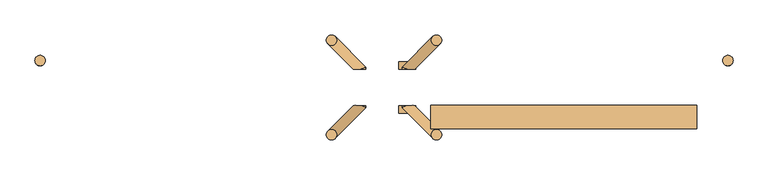
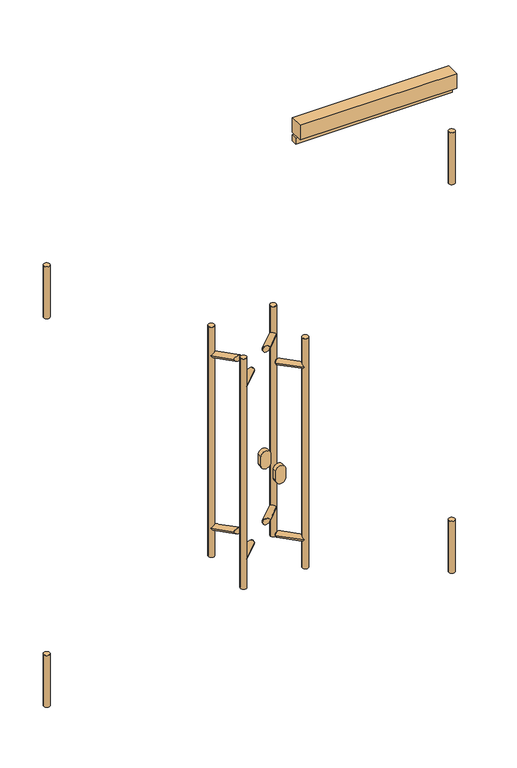
"""IFC4 building model written with IfcOpenShell, lengths in millimetres: door geometry."""

from ifc_helpers import new_model, si_unit, point, frame, frame_2d, origin, place, context, project, spatial, polyline, circle_curve, ellipse_curve, trimmed, segment, composite_curve, outline, extrude, source, transform, mapped, element, save
from ifc_brep_helpers import plane_surface, cylinder_surface, advanced_brep


def door_2ec6fdb7(model_context):
    return source(origin(), model_context, "Body", "SolidModel", [
        extrude(outline(polyline([(-609.0, -70.0), (-94.0, -70.0), (-94.0, -90.0), (-609.0, -90.0), (-609.0, -70.0)])), frame((0.0, 0.0, 2051.0), z_axis=(0.0, 0.0, 1.0), x_axis=(1.0, 0.0, 0.0)), (0.0, 0.0, 1.0), 20.0),
        extrude(outline(polyline([(-609.0, -70.0), (-94.0, -70.0), (-94.0, -115.0), (-609.0, -115.0), (-609.0, -70.0)])), frame((0.0, 0.0, 2081.0), z_axis=(0.0, 0.0, 1.0), x_axis=(1.0, 0.0, 0.0)), (0.0, 0.0, 1.0), 50.0),
        advanced_brep(
        [(-608.4314575, 56.5685425, 1400.0), (-588.4314575, 56.5685425, 1400.0), (-608.4314575, 56.5685425, 600.0), (-588.4314575, 56.5685425, 600.0), (-655.0, 0.0, 710.0), (-665.0, 0.0, 700.0), (-655.0, 0.0, 690.0), (-640.8578644, 0.0, 700.0), (-655.0, 0.0, 1310.0), (-665.0, 0.0, 1300.0), (-655.0, 0.0, 1290.0), (-640.8578644, 0.0, 1300.0), (-665.0, 4.1421356, 700.0), (-665.0, 4.1421356, 1300.0), (-605.5025253, 63.6396103, 700.0), (-591.3603897, 49.4974747, 700.0), (-608.4314575, 56.5685425, 707.0710678), (-608.4314575, 56.5685425, 692.9289322), (-605.5025253, 63.6396103, 1300.0), (-591.3603897, 49.4974747, 1300.0), (-608.4314575, 56.5685425, 1307.0710678), (-608.4314575, 56.5685425, 1292.9289322)],
        [
            (0, 1, circle_curve(frame((-598.4314575, 56.5685425, 1400.0), z_axis=(0.0, 0.0, 1.0), x_axis=(1.0, 0.0, 0.0)), 10.0)),
            (1, 0, circle_curve(frame((-598.4314575, 56.5685425, 1400.0), z_axis=(0.0, 0.0, 1.0), x_axis=(1.0, 0.0, 0.0)), 10.0)),
            (2, 3, circle_curve(frame((-598.4314575, 56.5685425, 600.0), z_axis=(0.0, 0.0, -1.0), x_axis=(1.0, 0.0, 0.0)), 10.0)),
            (3, 2, circle_curve(frame((-598.4314575, 56.5685425, 600.0), z_axis=(0.0, 0.0, -1.0), x_axis=(1.0, 0.0, 0.0)), 10.0)),
            (4, 5, circle_curve(frame((-655.0, 0.0, 700.0), z_axis=(0.0, -1.0, 0.0), x_axis=(-1.0, 0.0, 0.0)), 10.0)),
            (5, 6, circle_curve(frame((-655.0, 0.0, 700.0), z_axis=(0.0, -1.0, 0.0), x_axis=(-1.0, 0.0, 0.0)), 10.0)),
            (6, 7, ellipse_curve(frame((-655.0, 0.0, 700.0), z_axis=(0.0, -1.0, 0.0), x_axis=(-1.0, 0.0, 0.0)), 14.1421356, 10.0)),
            (7, 4, ellipse_curve(frame((-655.0, 0.0, 700.0), z_axis=(0.0, -1.0, 0.0), x_axis=(-1.0, 0.0, 0.0)), 14.1421356, 10.0)),
            (8, 9, circle_curve(frame((-655.0, 0.0, 1300.0), z_axis=(0.0, -1.0, 0.0), x_axis=(-1.0, 0.0, 0.0)), 10.0)),
            (9, 10, circle_curve(frame((-655.0, 0.0, 1300.0), z_axis=(0.0, -1.0, 0.0), x_axis=(-1.0, 0.0, 0.0)), 10.0)),
            (10, 11, ellipse_curve(frame((-655.0, 0.0, 1300.0), z_axis=(0.0, -1.0, 0.0), x_axis=(-1.0, 0.0, 0.0)), 14.1421356, 10.0)),
            (11, 8, ellipse_curve(frame((-655.0, 0.0, 1300.0), z_axis=(0.0, -1.0, 0.0), x_axis=(-1.0, 0.0, 0.0)), 14.1421356, 10.0)),
            (4, 12, ellipse_curve(frame((-655.0, 0.0, 700.0), z_axis=(-0.38268343236513025, -0.9238795325112701, 0.0), x_axis=(0.9238795325112702, -0.3826834323651299, 0.0)), 10.823922, 10.0)),
            (12, 5),
            (12, 6, ellipse_curve(frame((-655.0, 0.0, 700.0), z_axis=(-0.38268343236513025, -0.9238795325112701, 0.0), x_axis=(0.9238795325112702, -0.3826834323651299, 0.0)), 10.823922, 10.0)),
            (8, 13, ellipse_curve(frame((-655.0, 0.0, 1300.0), z_axis=(-0.38268343236513025, -0.9238795325112701, 0.0), x_axis=(0.9238795325112702, -0.3826834323651299, 0.0)), 10.823922, 10.0)),
            (13, 9),
            (13, 10, ellipse_curve(frame((-655.0, 0.0, 1300.0), z_axis=(-0.38268343236513025, -0.9238795325112701, 0.0), x_axis=(0.9238795325112702, -0.3826834323651299, 0.0)), 10.823922, 10.0)),
            (14, 12),
            (7, 15),
            (15, 16, ellipse_curve(frame((-598.4314575, 56.5685425, 700.0), z_axis=(-0.5000000000000415, -0.49999999999995626, -0.707106781186549), x_axis=(-0.500000000000046, -0.49999999999995626, 0.7071067811865459)), 14.1421356, 10.0)),
            (16, 14, ellipse_curve(frame((-598.4314575, 56.5685425, 700.0), z_axis=(-0.5000000000000415, -0.49999999999995626, -0.707106781186549), x_axis=(-0.500000000000046, -0.49999999999995626, 0.7071067811865459)), 14.1421356, 10.0)),
            (14, 17, ellipse_curve(frame((-598.4314575, 56.5685425, 700.0), z_axis=(-0.500000000000046, -0.49999999999995626, 0.7071067811865459), x_axis=(-0.5000000000000415, -0.49999999999995626, -0.707106781186549)), 14.1421356, 10.0)),
            (17, 15, ellipse_curve(frame((-598.4314575, 56.5685425, 700.0), z_axis=(-0.500000000000046, -0.49999999999995626, 0.7071067811865459), x_axis=(-0.5000000000000415, -0.49999999999995626, -0.707106781186549)), 14.1421356, 10.0)),
            (18, 13),
            (11, 19),
            (19, 20, ellipse_curve(frame((-598.4314575, 56.5685425, 1300.0), z_axis=(-0.5000000000000415, -0.49999999999995626, -0.707106781186549), x_axis=(-0.500000000000046, -0.49999999999995626, 0.7071067811865459)), 14.1421356, 10.0)),
            (20, 18, ellipse_curve(frame((-598.4314575, 56.5685425, 1300.0), z_axis=(-0.5000000000000415, -0.49999999999995626, -0.707106781186549), x_axis=(-0.500000000000046, -0.49999999999995626, 0.7071067811865459)), 14.1421356, 10.0)),
            (18, 21, ellipse_curve(frame((-598.4314575, 56.5685425, 1300.0), z_axis=(-0.500000000000046, -0.49999999999995626, 0.7071067811865459), x_axis=(-0.5000000000000415, -0.49999999999995626, -0.707106781186549)), 14.1421356, 10.0)),
            (21, 19, ellipse_curve(frame((-598.4314575, 56.5685425, 1300.0), z_axis=(-0.500000000000046, -0.49999999999995626, 0.7071067811865459), x_axis=(-0.5000000000000415, -0.49999999999995626, -0.707106781186549)), 14.1421356, 10.0)),
            (0, 20),
            (21, 16),
            (17, 2),
            (3, 1),
        ],
        [
            plane_surface(frame((-588.4314575, 56.5685425, 1400.0), z_axis=(0.0, 0.0, 1.0), x_axis=(0.0, 1.0, 0.0))),
            plane_surface(frame((-588.4314575, 56.5685425, 600.0), z_axis=(0.0, 0.0, -1.0), x_axis=(0.0, -1.0, 0.0))),
            plane_surface(frame((-795.0, 0.0, 600.0), z_axis=(0.0, -1.0, 0.0), x_axis=(0.0, 0.0, 1.0))),
            cylinder_surface(frame((-655.0, -70.0, 700.0), z_axis=(0.0, -1.0, 0.0), x_axis=(-1.0, 0.0, 0.0)), 10.0),
            cylinder_surface(frame((-655.0, -70.0, 1300.0), z_axis=(0.0, -1.0, 0.0), x_axis=(-1.0, 0.0, 0.0)), 10.0),
            cylinder_surface(frame((-655.0, 0.0, 700.0), z_axis=(-0.7071067811866094, -0.7071067811864857, 0.0), x_axis=(-0.7071067811864857, 0.7071067811866094, 0.0)), 10.0),
            cylinder_surface(frame((-655.0, 0.0, 1300.0), z_axis=(-0.7071067811866094, -0.7071067811864857, 0.0), x_axis=(-0.7071067811864857, 0.7071067811866094, 0.0)), 10.0),
            cylinder_surface(frame((-598.4314575, 56.5685425, 600.0), z_axis=(0.0, 0.0, 1.0), x_axis=(1.0, 0.0, 0.0)), 10.0),
        ],
        [
            (0, [[1, 2]]),
            (1, [[3, 4]]),
            (2, [[5, 6, 7, 8]]),
            (2, [[9, 10, 11, 12]]),
            (3, [[13, 14, -5]]),
            (3, [[-14, 15, -6]]),
            (4, [[16, 17, -9]]),
            (4, [[-17, 18, -10]]),
            (5, [[19, -13, -8, 20, 21, 22]]),
            (5, [[-19, 23, 24, -20, -7, -15]]),
            (6, [[25, -16, -12, 26, 27, 28]]),
            (6, [[-25, 29, 30, -26, -11, -18]]),
            (7, [[-1, 31, -27, -30, 32, -21, -24, 33, -4, 34]]),
            (7, [[-2, -34, -3, -33, -23, -22, -32, -29, -28, -31]]),
        ],
    ),
        advanced_brep(
        [(-608.4314575, -126.5685425, 1400.0), (-588.4314575, -126.5685425, 1400.0), (-608.4314575, -126.5685425, 600.0), (-588.4314575, -126.5685425, 600.0), (-655.0, -70.0, 710.0), (-640.8578644, -70.0, 700.0), (-655.0, -70.0, 690.0), (-665.0, -70.0, 700.0), (-655.0, -70.0, 1310.0), (-640.8578644, -70.0, 1300.0), (-655.0, -70.0, 1290.0), (-665.0, -70.0, 1300.0), (-665.0, -74.1421356, 700.0), (-605.5025253, -133.6396103, 700.0), (-608.4314575, -126.5685425, 707.0710678), (-591.3603897, -119.4974747, 700.0), (-608.4314575, -126.5685425, 692.9289322), (-665.0, -74.1421356, 1300.0), (-605.5025253, -133.6396103, 1300.0), (-608.4314575, -126.5685425, 1307.0710678), (-591.3603897, -119.4974747, 1300.0), (-608.4314575, -126.5685425, 1292.9289322)],
        [
            (0, 1, circle_curve(frame((-598.4314575, -126.5685425, 1400.0), z_axis=(0.0, 0.0, 1.0), x_axis=(1.0, 0.0, 0.0)), 10.0)),
            (1, 0, circle_curve(frame((-598.4314575, -126.5685425, 1400.0), z_axis=(0.0, 0.0, 1.0), x_axis=(1.0, 0.0, 0.0)), 10.0)),
            (2, 3, circle_curve(frame((-598.4314575, -126.5685425, 600.0), z_axis=(0.0, 0.0, -1.0), x_axis=(1.0, 0.0, 0.0)), 10.0)),
            (3, 2, circle_curve(frame((-598.4314575, -126.5685425, 600.0), z_axis=(0.0, 0.0, -1.0), x_axis=(1.0, 0.0, 0.0)), 10.0)),
            (4, 5, ellipse_curve(frame((-655.0, -70.0, 700.0), z_axis=(0.0, 1.0, 0.0), x_axis=(1.0, 0.0, 0.0)), 14.1421356, 10.0)),
            (5, 6, ellipse_curve(frame((-655.0, -70.0, 700.0), z_axis=(0.0, 1.0, 0.0), x_axis=(1.0, 0.0, 0.0)), 14.1421356, 10.0)),
            (6, 7, circle_curve(frame((-655.0, -70.0, 700.0), z_axis=(0.0, 1.0, 0.0), x_axis=(-1.0, 0.0, 0.0)), 10.0)),
            (7, 4, circle_curve(frame((-655.0, -70.0, 700.0), z_axis=(0.0, 1.0, 0.0), x_axis=(-1.0, 0.0, 0.0)), 10.0)),
            (8, 9, ellipse_curve(frame((-655.0, -70.0, 1300.0), z_axis=(0.0, 1.0, 0.0), x_axis=(1.0, 0.0, 0.0)), 14.1421356, 10.0)),
            (9, 10, ellipse_curve(frame((-655.0, -70.0, 1300.0), z_axis=(0.0, 1.0, 0.0), x_axis=(1.0, 0.0, 0.0)), 14.1421356, 10.0)),
            (10, 11, circle_curve(frame((-655.0, -70.0, 1300.0), z_axis=(0.0, 1.0, 0.0), x_axis=(-1.0, 0.0, 0.0)), 10.0)),
            (11, 8, circle_curve(frame((-655.0, -70.0, 1300.0), z_axis=(0.0, 1.0, 0.0), x_axis=(-1.0, 0.0, 0.0)), 10.0)),
            (12, 13),
            (13, 14, ellipse_curve(frame((-598.4314575, -126.5685425, 700.0), z_axis=(-0.5000000000000152, 0.4999999999999831, -0.7071067811865487), x_axis=(0.5000000000000191, -0.4999999999999826, -0.7071067811865464)), 14.1421356, 10.0)),
            (14, 15, ellipse_curve(frame((-598.4314575, -126.5685425, 700.0), z_axis=(-0.5000000000000152, 0.4999999999999831, -0.7071067811865487), x_axis=(0.5000000000000191, -0.4999999999999826, -0.7071067811865464)), 14.1421356, 10.0)),
            (15, 5),
            (4, 12, ellipse_curve(frame((-655.0, -70.0, 700.0), z_axis=(0.38268343236510555, -0.9238795325112801, 0.0), x_axis=(0.9238795325112804, 0.38268343236510505, 0.0)), 10.823922, 10.0)),
            (12, 6, ellipse_curve(frame((-655.0, -70.0, 700.0), z_axis=(0.38268343236510555, -0.9238795325112801, 0.0), x_axis=(0.9238795325112804, 0.38268343236510505, 0.0)), 10.823922, 10.0)),
            (15, 16, ellipse_curve(frame((-598.4314575, -126.5685425, 700.0), z_axis=(-0.5000000000000191, 0.49999999999998257, 0.7071067811865464), x_axis=(0.5000000000000152, -0.4999999999999831, 0.7071067811865487)), 14.1421356, 10.0)),
            (16, 13, ellipse_curve(frame((-598.4314575, -126.5685425, 700.0), z_axis=(-0.5000000000000191, 0.49999999999998257, 0.7071067811865464), x_axis=(0.5000000000000152, -0.4999999999999831, 0.7071067811865487)), 14.1421356, 10.0)),
            (17, 18),
            (18, 19, ellipse_curve(frame((-598.4314575, -126.5685425, 1300.0), z_axis=(-0.5000000000000152, 0.4999999999999831, -0.7071067811865487), x_axis=(0.5000000000000191, -0.4999999999999826, -0.7071067811865464)), 14.1421356, 10.0)),
            (19, 20, ellipse_curve(frame((-598.4314575, -126.5685425, 1300.0), z_axis=(-0.5000000000000152, 0.4999999999999831, -0.7071067811865487), x_axis=(0.5000000000000191, -0.4999999999999826, -0.7071067811865464)), 14.1421356, 10.0)),
            (20, 9),
            (8, 17, ellipse_curve(frame((-655.0, -70.0, 1300.0), z_axis=(0.38268343236510555, -0.9238795325112801, 0.0), x_axis=(0.9238795325112804, 0.38268343236510505, 0.0)), 10.823922, 10.0)),
            (17, 10, ellipse_curve(frame((-655.0, -70.0, 1300.0), z_axis=(0.38268343236510555, -0.9238795325112801, 0.0), x_axis=(0.9238795325112804, 0.38268343236510505, 0.0)), 10.823922, 10.0)),
            (20, 21, ellipse_curve(frame((-598.4314575, -126.5685425, 1300.0), z_axis=(-0.5000000000000191, 0.49999999999998257, 0.7071067811865464), x_axis=(0.5000000000000152, -0.4999999999999831, 0.7071067811865487)), 14.1421356, 10.0)),
            (21, 18, ellipse_curve(frame((-598.4314575, -126.5685425, 1300.0), z_axis=(-0.5000000000000191, 0.49999999999998257, 0.7071067811865464), x_axis=(0.5000000000000152, -0.4999999999999831, 0.7071067811865487)), 14.1421356, 10.0)),
            (7, 12),
            (11, 17),
            (0, 19),
            (21, 14),
            (16, 2),
            (3, 1),
        ],
        [
            plane_surface(frame((-588.4314575, 56.5685425, 1400.0), z_axis=(0.0, 0.0, 1.0), x_axis=(0.0, 1.0, 0.0))),
            plane_surface(frame((-588.4314575, 56.5685425, 600.0), z_axis=(0.0, 0.0, -1.0), x_axis=(0.0, -1.0, 0.0))),
            plane_surface(frame((-605.0, -70.0, 600.0), z_axis=(0.0, 1.0, 0.0), x_axis=(0.0, 0.0, 1.0))),
            cylinder_surface(frame((-598.4314575, -126.5685425, 700.0), z_axis=(0.7071067811865718, -0.7071067811865233, 0.0), x_axis=(-0.7071067811865233, -0.7071067811865718, 0.0)), 10.0),
            cylinder_surface(frame((-598.4314575, -126.5685425, 1300.0), z_axis=(0.7071067811865718, -0.7071067811865233, 0.0), x_axis=(-0.7071067811865233, -0.7071067811865718, 0.0)), 10.0),
            cylinder_surface(frame((-655.0, -70.0, 700.0), z_axis=(0.0, -1.0, 0.0), x_axis=(-1.0, 0.0, 0.0)), 10.0),
            cylinder_surface(frame((-655.0, -70.0, 1300.0), z_axis=(0.0, -1.0, 0.0), x_axis=(-1.0, 0.0, 0.0)), 10.0),
            cylinder_surface(frame((-598.4314575, -126.5685425, 1000.0), z_axis=(0.0, 0.0, 1.0), x_axis=(1.0, 0.0, 0.0)), 10.0),
        ],
        [
            (0, [[1, 2]]),
            (1, [[3, 4]]),
            (2, [[5, 6, 7, 8]]),
            (2, [[9, 10, 11, 12]]),
            (3, [[13, 14, 15, 16, -5, 17]]),
            (3, [[-13, 18, -6, -16, 19, 20]]),
            (4, [[21, 22, 23, 24, -9, 25]]),
            (4, [[-21, 26, -10, -24, 27, 28]]),
            (5, [[-17, -8, 29]]),
            (5, [[-18, -29, -7]]),
            (6, [[-25, -12, 30]]),
            (6, [[-26, -30, -11]]),
            (7, [[-1, 31, -22, -28, 32, -14, -20, 33, -4, 34]]),
            (7, [[-2, -34, -3, -33, -19, -15, -32, -27, -23, -31]]),
        ],
    ),
        advanced_brep(
        [(-811.5685425, 56.5685425, 1400.0), (-791.5685425, 56.5685425, 1400.0), (-811.5685425, 56.5685425, 600.0), (-791.5685425, 56.5685425, 600.0), (-745.0, 0.0, 690.0), (-735.0, 0.0, 700.0), (-745.0, 0.0, 710.0), (-759.1421356, 0.0, 700.0), (-745.0, 0.0, 1290.0), (-735.0, 0.0, 1300.0), (-745.0, 0.0, 1310.0), (-759.1421356, 0.0, 1300.0), (-791.5685425, 56.5685425, 692.9289322), (-808.6396103, 49.4974747, 700.0), (-791.5685425, 56.5685425, 707.0710678), (-791.5685425, 56.5685425, 1292.9289322), (-808.6396103, 49.4974747, 1300.0), (-791.5685425, 56.5685425, 1307.0710678), (-794.4974747, 63.6396103, 1300.0), (-794.4974747, 63.6396103, 700.0), (-735.0, 4.1421356, 700.0), (-735.0, 4.1421356, 1300.0)],
        [
            (0, 1, circle_curve(frame((-801.5685425, 56.5685425, 1400.0), z_axis=(0.0, 0.0, 1.0), x_axis=(1.0, 0.0, 0.0)), 10.0)),
            (1, 0, circle_curve(frame((-801.5685425, 56.5685425, 1400.0), z_axis=(0.0, 0.0, 1.0), x_axis=(1.0, 0.0, 0.0)), 10.0)),
            (2, 3, circle_curve(frame((-801.5685425, 56.5685425, 600.0), z_axis=(0.0, 0.0, -1.0), x_axis=(1.0, 0.0, 0.0)), 10.0)),
            (3, 2, circle_curve(frame((-801.5685425, 56.5685425, 600.0), z_axis=(0.0, 0.0, -1.0), x_axis=(1.0, 0.0, 0.0)), 10.0)),
            (4, 5, circle_curve(frame((-745.0, 0.0, 700.0), z_axis=(0.0, -1.0, 0.0), x_axis=(-1.0, 0.0, 0.0)), 10.0)),
            (5, 6, circle_curve(frame((-745.0, 0.0, 700.0), z_axis=(0.0, -1.0, 0.0), x_axis=(-1.0, 0.0, 0.0)), 10.0)),
            (6, 7, ellipse_curve(frame((-745.0, 0.0, 700.0), z_axis=(0.0, -1.0, 0.0), x_axis=(1.0, 0.0, 0.0)), 14.1421356, 10.0)),
            (7, 4, ellipse_curve(frame((-745.0, 0.0, 700.0), z_axis=(0.0, -1.0, 0.0), x_axis=(1.0, 0.0, 0.0)), 14.1421356, 10.0)),
            (8, 9, circle_curve(frame((-745.0, 0.0, 1300.0), z_axis=(0.0, -1.0, 0.0), x_axis=(-1.0, 0.0, 0.0)), 10.0)),
            (9, 10, circle_curve(frame((-745.0, 0.0, 1300.0), z_axis=(0.0, -1.0, 0.0), x_axis=(-1.0, 0.0, 0.0)), 10.0)),
            (10, 11, ellipse_curve(frame((-745.0, 0.0, 1300.0), z_axis=(0.0, -1.0, 0.0), x_axis=(1.0, 0.0, 0.0)), 14.1421356, 10.0)),
            (11, 8, ellipse_curve(frame((-745.0, 0.0, 1300.0), z_axis=(0.0, -1.0, 0.0), x_axis=(1.0, 0.0, 0.0)), 14.1421356, 10.0)),
            (0, 2),
            (3, 12),
            (12, 13, ellipse_curve(frame((-801.5685425, 56.5685425, 700.0), z_axis=(-0.5000000000000746, 0.4999999999999231, -0.707106781186549), x_axis=(-0.5000000000000789, 0.49999999999992306, 0.707106781186546)), 14.1421356, 10.0)),
            (13, 14, ellipse_curve(frame((-801.5685425, 56.5685425, 700.0), z_axis=(-0.500000000000079, 0.4999999999999231, 0.7071067811865459), x_axis=(0.5000000000000746, -0.4999999999999231, 0.7071067811865491)), 14.1421356, 10.0)),
            (14, 15),
            (15, 16, ellipse_curve(frame((-801.5685425, 56.5685425, 1300.0), z_axis=(-0.5000000000000746, 0.4999999999999231, -0.707106781186549), x_axis=(-0.5000000000000789, 0.49999999999992306, 0.707106781186546)), 14.1421356, 10.0)),
            (16, 17, ellipse_curve(frame((-801.5685425, 56.5685425, 1300.0), z_axis=(-0.500000000000079, 0.4999999999999231, 0.7071067811865459), x_axis=(0.5000000000000746, -0.4999999999999231, 0.7071067811865491)), 14.1421356, 10.0)),
            (17, 1),
            (17, 18, ellipse_curve(frame((-801.5685425, 56.5685425, 1300.0), z_axis=(-0.500000000000079, 0.4999999999999231, 0.7071067811865459), x_axis=(0.5000000000000746, -0.4999999999999231, 0.7071067811865491)), 14.1421356, 10.0)),
            (18, 15, ellipse_curve(frame((-801.5685425, 56.5685425, 1300.0), z_axis=(-0.5000000000000746, 0.4999999999999231, -0.707106781186549), x_axis=(-0.5000000000000789, 0.49999999999992306, 0.707106781186546)), 14.1421356, 10.0)),
            (14, 19, ellipse_curve(frame((-801.5685425, 56.5685425, 700.0), z_axis=(-0.500000000000079, 0.4999999999999231, 0.7071067811865459), x_axis=(0.5000000000000746, -0.4999999999999231, 0.7071067811865491)), 14.1421356, 10.0)),
            (19, 12, ellipse_curve(frame((-801.5685425, 56.5685425, 700.0), z_axis=(-0.5000000000000746, 0.4999999999999231, -0.707106781186549), x_axis=(-0.5000000000000789, 0.49999999999992306, 0.707106781186546)), 14.1421356, 10.0)),
            (4, 20, ellipse_curve(frame((-745.0, 0.0, 700.0), z_axis=(0.38268343236516067, -0.9238795325112574, 0.0), x_axis=(-0.9238795325112574, -0.38268343236516056, 0.0)), 10.823922, 10.0)),
            (20, 5),
            (20, 6, ellipse_curve(frame((-745.0, 0.0, 700.0), z_axis=(0.38268343236516067, -0.9238795325112574, 0.0), x_axis=(-0.9238795325112574, -0.38268343236516056, 0.0)), 10.823922, 10.0)),
            (8, 21, ellipse_curve(frame((-745.0, 0.0, 1300.0), z_axis=(0.38268343236516067, -0.9238795325112574, 0.0), x_axis=(-0.9238795325112574, -0.38268343236516056, 0.0)), 10.823922, 10.0)),
            (21, 9),
            (21, 10, ellipse_curve(frame((-745.0, 0.0, 1300.0), z_axis=(0.38268343236516067, -0.9238795325112574, 0.0), x_axis=(-0.9238795325112574, -0.38268343236516056, 0.0)), 10.823922, 10.0)),
            (19, 20),
            (7, 13),
            (18, 21),
            (11, 16),
        ],
        [
            plane_surface(frame((-588.4314575, 56.5685425, 1400.0), z_axis=(0.0, 0.0, 1.0), x_axis=(0.0, 1.0, 0.0))),
            plane_surface(frame((-588.4314575, 56.5685425, 600.0), z_axis=(0.0, 0.0, -1.0), x_axis=(0.0, -1.0, 0.0))),
            plane_surface(frame((-795.0, 0.0, 600.0), z_axis=(0.0, -1.0, 0.0), x_axis=(0.0, 0.0, 1.0))),
            cylinder_surface(frame((-801.5685425, 56.5685425, 1000.0), z_axis=(0.0, 0.0, 1.0), x_axis=(1.0, 0.0, 0.0)), 10.0),
            cylinder_surface(frame((-745.0, -70.0, 700.0), z_axis=(0.0, -1.0, 0.0), x_axis=(-1.0, 0.0, 0.0)), 10.0),
            cylinder_surface(frame((-745.0, -70.0, 1300.0), z_axis=(0.0, -1.0, 0.0), x_axis=(-1.0, 0.0, 0.0)), 10.0),
            cylinder_surface(frame((-745.0, 0.0, 700.0), z_axis=(0.7071067811866563, -0.7071067811864389, 0.0), x_axis=(-0.7071067811864389, -0.7071067811866563, 0.0)), 10.0),
            cylinder_surface(frame((-745.0, 0.0, 1300.0), z_axis=(0.7071067811866563, -0.7071067811864389, 0.0), x_axis=(-0.7071067811864389, -0.7071067811866563, 0.0)), 10.0),
        ],
        [
            (0, [[1, 2]]),
            (1, [[3, 4]]),
            (2, [[5, 6, 7, 8]]),
            (2, [[9, 10, 11, 12]]),
            (3, [[-1, 13, -4, 14, 15, 16, 17, 18, 19, 20]]),
            (3, [[-2, -20, 21, 22, -17, 23, 24, -14, -3, -13]]),
            (4, [[25, 26, -5]]),
            (4, [[-26, 27, -6]]),
            (5, [[28, 29, -9]]),
            (5, [[-29, 30, -10]]),
            (6, [[31, -25, -8, 32, -15, -24]]),
            (6, [[-31, -23, -16, -32, -7, -27]]),
            (7, [[33, -28, -12, 34, -18, -22]]),
            (7, [[-33, -21, -19, -34, -11, -30]]),
        ],
    ),
        advanced_brep(
        [(-811.5685425, -126.5685425, 1400.0), (-791.5685425, -126.5685425, 1400.0), (-811.5685425, -126.5685425, 600.0), (-791.5685425, -126.5685425, 600.0), (-745.0, -70.0, 690.0), (-759.1421356, -70.0, 700.0), (-745.0, -70.0, 710.0), (-735.0, -70.0, 700.0), (-745.0, -70.0, 1290.0), (-759.1421356, -70.0, 1300.0), (-745.0, -70.0, 1310.0), (-735.0, -70.0, 1300.0), (-791.5685425, -126.5685425, 692.9289322), (-794.4974747, -133.6396103, 700.0), (-791.5685425, -126.5685425, 707.0710678), (-791.5685425, -126.5685425, 1292.9289322), (-794.4974747, -133.6396103, 1300.0), (-791.5685425, -126.5685425, 1307.0710678), (-808.6396103, -119.4974747, 1300.0), (-808.6396103, -119.4974747, 700.0), (-735.0, -74.1421356, 700.0), (-735.0, -74.1421356, 1300.0)],
        [
            (0, 1, circle_curve(frame((-801.5685425, -126.5685425, 1400.0), z_axis=(0.0, 0.0, 1.0), x_axis=(1.0, 0.0, 0.0)), 10.0)),
            (1, 0, circle_curve(frame((-801.5685425, -126.5685425, 1400.0), z_axis=(0.0, 0.0, 1.0), x_axis=(1.0, 0.0, 0.0)), 10.0)),
            (2, 3, circle_curve(frame((-801.5685425, -126.5685425, 600.0), z_axis=(0.0, 0.0, -1.0), x_axis=(1.0, 0.0, 0.0)), 10.0)),
            (3, 2, circle_curve(frame((-801.5685425, -126.5685425, 600.0), z_axis=(0.0, 0.0, -1.0), x_axis=(1.0, 0.0, 0.0)), 10.0)),
            (4, 5, ellipse_curve(frame((-745.0, -70.0, 700.0), z_axis=(0.0, 1.0, 0.0), x_axis=(-1.0, 0.0, 0.0)), 14.1421356, 10.0)),
            (5, 6, ellipse_curve(frame((-745.0, -70.0, 700.0), z_axis=(0.0, 1.0, 0.0), x_axis=(-1.0, 0.0, 0.0)), 14.1421356, 10.0)),
            (6, 7, circle_curve(frame((-745.0, -70.0, 700.0), z_axis=(0.0, 1.0, 0.0), x_axis=(-1.0, 0.0, 0.0)), 10.0)),
            (7, 4, circle_curve(frame((-745.0, -70.0, 700.0), z_axis=(0.0, 1.0, 0.0), x_axis=(-1.0, 0.0, 0.0)), 10.0)),
            (8, 9, ellipse_curve(frame((-745.0, -70.0, 1300.0), z_axis=(0.0, 1.0, 0.0), x_axis=(-1.0, 0.0, 0.0)), 14.1421356, 10.0)),
            (9, 10, ellipse_curve(frame((-745.0, -70.0, 1300.0), z_axis=(0.0, 1.0, 0.0), x_axis=(-1.0, 0.0, 0.0)), 14.1421356, 10.0)),
            (10, 11, circle_curve(frame((-745.0, -70.0, 1300.0), z_axis=(0.0, 1.0, 0.0), x_axis=(-1.0, 0.0, 0.0)), 10.0)),
            (11, 8, circle_curve(frame((-745.0, -70.0, 1300.0), z_axis=(0.0, 1.0, 0.0), x_axis=(-1.0, 0.0, 0.0)), 10.0)),
            (0, 2),
            (3, 12),
            (12, 13, ellipse_curve(frame((-801.5685425, -126.5685425, 700.0), z_axis=(-0.4999999999999932, -0.5000000000000052, -0.7071067811865487), x_axis=(-0.49999999999999706, -0.5000000000000046, 0.7071067811865462)), 14.1421356, 10.0)),
            (13, 14, ellipse_curve(frame((-801.5685425, -126.5685425, 700.0), z_axis=(-0.49999999999999706, -0.5000000000000047, 0.7071067811865464), x_axis=(0.49999999999999317, 0.5000000000000052, 0.7071067811865487)), 14.1421356, 10.0)),
            (14, 15),
            (15, 16, ellipse_curve(frame((-801.5685425, -126.5685425, 1300.0), z_axis=(-0.4999999999999932, -0.5000000000000052, -0.7071067811865487), x_axis=(-0.49999999999999706, -0.5000000000000046, 0.7071067811865462)), 14.1421356, 10.0)),
            (16, 17, ellipse_curve(frame((-801.5685425, -126.5685425, 1300.0), z_axis=(-0.49999999999999706, -0.5000000000000047, 0.7071067811865464), x_axis=(0.49999999999999317, 0.5000000000000052, 0.7071067811865487)), 14.1421356, 10.0)),
            (17, 1),
            (17, 18, ellipse_curve(frame((-801.5685425, -126.5685425, 1300.0), z_axis=(-0.49999999999999706, -0.5000000000000047, 0.7071067811865464), x_axis=(0.49999999999999317, 0.5000000000000052, 0.7071067811865487)), 14.1421356, 10.0)),
            (18, 15, ellipse_curve(frame((-801.5685425, -126.5685425, 1300.0), z_axis=(-0.4999999999999932, -0.5000000000000052, -0.7071067811865487), x_axis=(-0.49999999999999706, -0.5000000000000046, 0.7071067811865462)), 14.1421356, 10.0)),
            (14, 19, ellipse_curve(frame((-801.5685425, -126.5685425, 700.0), z_axis=(-0.49999999999999706, -0.5000000000000047, 0.7071067811865464), x_axis=(0.49999999999999317, 0.5000000000000052, 0.7071067811865487)), 14.1421356, 10.0)),
            (19, 12, ellipse_curve(frame((-801.5685425, -126.5685425, 700.0), z_axis=(-0.4999999999999932, -0.5000000000000052, -0.7071067811865487), x_axis=(-0.49999999999999706, -0.5000000000000046, 0.7071067811865462)), 14.1421356, 10.0)),
            (20, 13),
            (19, 5),
            (4, 20, ellipse_curve(frame((-745.0, -70.0, 700.0), z_axis=(-0.38268343236508534, -0.9238795325112885, 0.0), x_axis=(-0.9238795325112887, 0.3826834323650851, 0.0)), 10.823922, 10.0)),
            (20, 6, ellipse_curve(frame((-745.0, -70.0, 700.0), z_axis=(-0.38268343236508534, -0.9238795325112885, 0.0), x_axis=(-0.9238795325112887, 0.3826834323650851, 0.0)), 10.823922, 10.0)),
            (21, 16),
            (18, 9),
            (8, 21, ellipse_curve(frame((-745.0, -70.0, 1300.0), z_axis=(-0.38268343236508534, -0.9238795325112885, 0.0), x_axis=(-0.9238795325112887, 0.3826834323650851, 0.0)), 10.823922, 10.0)),
            (21, 10, ellipse_curve(frame((-745.0, -70.0, 1300.0), z_axis=(-0.38268343236508534, -0.9238795325112885, 0.0), x_axis=(-0.9238795325112887, 0.3826834323650851, 0.0)), 10.823922, 10.0)),
            (7, 20),
            (11, 21),
        ],
        [
            plane_surface(frame((-588.4314575, 56.5685425, 1400.0), z_axis=(0.0, 0.0, 1.0), x_axis=(0.0, 1.0, 0.0))),
            plane_surface(frame((-588.4314575, 56.5685425, 600.0), z_axis=(0.0, 0.0, -1.0), x_axis=(0.0, -1.0, 0.0))),
            plane_surface(frame((-605.0, -70.0, 600.0), z_axis=(0.0, 1.0, 0.0), x_axis=(0.0, 0.0, 1.0))),
            cylinder_surface(frame((-801.5685425, -126.5685425, 1000.0), z_axis=(0.0, 0.0, 1.0), x_axis=(1.0, 0.0, 0.0)), 10.0),
            cylinder_surface(frame((-801.5685425, -126.5685425, 700.0), z_axis=(-0.7071067811865407, -0.7071067811865545, 0.0), x_axis=(-0.7071067811865545, 0.7071067811865407, 0.0)), 10.0),
            cylinder_surface(frame((-801.5685425, -126.5685425, 1300.0), z_axis=(-0.7071067811865407, -0.7071067811865545, 0.0), x_axis=(-0.7071067811865545, 0.7071067811865407, 0.0)), 10.0),
            cylinder_surface(frame((-745.0, -70.0, 700.0), z_axis=(0.0, -1.0, 0.0), x_axis=(-1.0, 0.0, 0.0)), 10.0),
            cylinder_surface(frame((-745.0, -70.0, 1300.0), z_axis=(0.0, -1.0, 0.0), x_axis=(-1.0, 0.0, 0.0)), 10.0),
        ],
        [
            (0, [[1, 2]]),
            (1, [[3, 4]]),
            (2, [[5, 6, 7, 8]]),
            (2, [[9, 10, 11, 12]]),
            (3, [[-1, 13, -4, 14, 15, 16, 17, 18, 19, 20]]),
            (3, [[-2, -20, 21, 22, -17, 23, 24, -14, -3, -13]]),
            (4, [[25, -15, -24, 26, -5, 27]]),
            (4, [[-25, 28, -6, -26, -23, -16]]),
            (5, [[29, -18, -22, 30, -9, 31]]),
            (5, [[-29, 32, -10, -30, -21, -19]]),
            (6, [[-27, -8, 33]]),
            (6, [[-28, -33, -7]]),
            (7, [[-31, -12, 34]]),
            (7, [[-32, -34, -11]]),
        ],
    ),
        extrude(outline(composite_curve([segment(polyline([(930.0, -671.0), (900.0, -671.0)]), True, "CONTINUOUS"), segment(trimmed(circle_curve(frame_2d((900.0, -655.0)), 16.0), [point((900.0, -671.0))], [point((900.0, -639.0))], False, "CARTESIAN"), True, "CONTINUOUS"), segment(polyline([(900.0, -639.0), (930.0, -639.0)]), True, "CONTINUOUS"), segment(trimmed(circle_curve(frame_2d((930.0, -655.0)), 16.0), [point((930.0, -639.0))], [point((930.0, -671.0))], False, "CARTESIAN"), True, "CONTINUOUS")], self_intersect=False)), frame((0.0, 0.0, 0.0), z_axis=(0.0, 1.0, 0.0), x_axis=(0.0, 0.0, 1.0)), (0.0, 0.0, 1.0), 15.0),
        extrude(outline(composite_curve([segment(polyline([(930.0, -671.0), (900.0, -671.0)]), True, "CONTINUOUS"), segment(trimmed(circle_curve(frame_2d((900.0, -655.0)), 16.0), [point((900.0, -671.0))], [point((900.0, -639.0))], False, "CARTESIAN"), True, "CONTINUOUS"), segment(polyline([(900.0, -639.0), (930.0, -639.0)]), True, "CONTINUOUS"), segment(trimmed(circle_curve(frame_2d((930.0, -655.0)), 16.0), [point((930.0, -639.0))], [point((930.0, -671.0))], False, "CARTESIAN"), True, "CONTINUOUS")], self_intersect=False)), frame((0.0, -85.0, 0.0), z_axis=(0.0, 1.0, 0.0), x_axis=(0.0, 0.0, 1.0)), (0.0, 0.0, 1.0), 15.0),
        extrude(outline(composite_curve([segment(trimmed(circle_curve(frame_2d((-34.0, 17.0)), 10.0), [point((-44.0, 17.0))], [point((-24.0, 17.0))], False, "CARTESIAN"), True, "CONTINUOUS"), segment(trimmed(circle_curve(frame_2d((-34.0, 17.0)), 10.0), [point((-24.0, 17.0))], [point((-44.0, 17.0))], False, "CARTESIAN"), True, "CONTINUOUS")], self_intersect=False)), frame((0.0, 0.0, 1651.0), z_axis=(0.0, 0.0, 1.0), x_axis=(1.0, 0.0, 0.0)), (0.0, 0.0, 1.0), 180.0),
        extrude(outline(composite_curve([segment(trimmed(circle_curve(frame_2d((-1366.0, 17.0)), 10.0), [point((-1376.0, 17.0))], [point((-1356.0, 17.0))], False, "CARTESIAN"), True, "CONTINUOUS"), segment(trimmed(circle_curve(frame_2d((-1366.0, 17.0)), 10.0), [point((-1356.0, 17.0))], [point((-1376.0, 17.0))], False, "CARTESIAN"), True, "CONTINUOUS")], self_intersect=False)), frame((0.0, 0.0, 1651.0), z_axis=(0.0, 0.0, 1.0), x_axis=(1.0, 0.0, 0.0)), (0.0, 0.0, 1.0), 180.0),
        extrude(outline(composite_curve([segment(trimmed(circle_curve(frame_2d((-34.0, 17.0)), 10.0), [point((-44.0, 17.0))], [point((-24.0, 17.0))], False, "CARTESIAN"), True, "CONTINUOUS"), segment(trimmed(circle_curve(frame_2d((-34.0, 17.0)), 10.0), [point((-24.0, 17.0))], [point((-44.0, 17.0))], False, "CARTESIAN"), True, "CONTINUOUS")], self_intersect=False)), frame((0.0, 0.0, 300.0), z_axis=(0.0, 0.0, 1.0), x_axis=(1.0, 0.0, 0.0)), (0.0, 0.0, 1.0), 180.0),
        extrude(outline(composite_curve([segment(trimmed(circle_curve(frame_2d((-1366.0, 17.0)), 10.0), [point((-1376.0, 17.0))], [point((-1356.0, 17.0))], False, "CARTESIAN"), True, "CONTINUOUS"), segment(trimmed(circle_curve(frame_2d((-1366.0, 17.0)), 10.0), [point((-1356.0, 17.0))], [point((-1376.0, 17.0))], False, "CARTESIAN"), True, "CONTINUOUS")], self_intersect=False)), frame((0.0, 0.0, 300.0), z_axis=(0.0, 0.0, 1.0), x_axis=(1.0, 0.0, 0.0)), (0.0, 0.0, 1.0), 180.0),
    ])


if __name__ == "__main__":
    model = new_model("IFC4")
    model_context = context("Model", 3, world=origin())
    ifc_project = project(units=[si_unit("LENGTHUNIT", "METRE", prefix="MILLI")], contexts=[model_context])
    site = spatial("IfcSite", under=ifc_project)
    building = spatial("IfcBuilding", under=site)
    placement = place(None, origin())
    door_shape = door_2ec6fdb7(model_context)
    element("IfcDoor", 1, at=placement, inside=building, context=model_context, shape_type="MappedRepresentation", body=[
        mapped(door_shape, transform((0.0, 0.0, 0.0), x_axis=(1.0, 0.0, 0.0), y_axis=(0.0, 1.0, 0.0), z_axis=(0.0, 0.0, 1.0))),
    ])
    save(model, "model.ifc")
